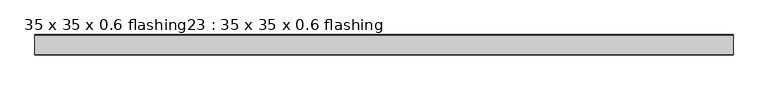
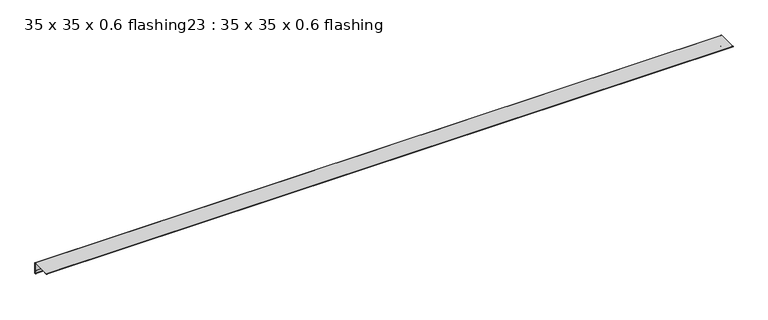
"""IFC4 building model written with IfcOpenShell, lengths in millimetres: proxy geometry, 35 x 35 x 0.6 flashing23 : 35 x 35 x 0.6 flashing."""

from ifc_helpers import new_model, si_unit, point, frame, frame_2d, origin, place, context, project, spatial, polyline, circle_curve, trimmed, segment, composite_curve, outline, extrude, source, transform, mapped, element, save


def proxy_35_x_35_x_0_6_flashing23_35_x_35_x_0_6_flashing_c5ac5a1b(model_context):
    return source(origin(), model_context, "Body", "SweptSolid", [
        extrude(outline(composite_curve([segment(trimmed(circle_curve(frame_2d((-10303.3538523, 1488.3887139)), 1.0), [point((-10302.3538523, 1488.3887139))], [point((-10304.3538523, 1488.3887139))], False, "CARTESIAN"), True, "CONTINUOUS"), segment(polyline([(-10304.3538523, 1488.3887139), (-10304.3538523, 1497.390498), (-10303.3538523, 1497.390498), (-10303.3538523, 1525.8887139)]), True, "CONTINUOUS"), segment(trimmed(circle_curve(frame_2d((-10304.8538523, 1525.8887139)), 1.5), [point((-10303.3538523, 1525.8887139))], [point((-10304.8538523, 1527.3887139))], True, "CARTESIAN"), True, "CONTINUOUS"), segment(polyline([(-10304.8538523, 1527.3887139), (-10362.3538523, 1527.3887139), (-10362.3538523, 1526.3887139), (-10371.3865297, 1526.3887139)]), True, "CONTINUOUS"), segment(trimmed(circle_curve(frame_2d((-10371.3865297, 1527.3887139)), 1.0), [point((-10371.3865297, 1526.3887139))], [point((-10371.3865297, 1528.3887139))], False, "CARTESIAN"), True, "CONTINUOUS"), segment(polyline([(-10371.3865297, 1528.3887139), (-10304.8538523, 1528.3887139)]), True, "CONTINUOUS"), segment(trimmed(circle_curve(frame_2d((-10304.8538523, 1525.8887139)), 2.5), [point((-10304.8538523, 1528.3887139))], [point((-10302.3538523, 1525.8887139))], False, "CARTESIAN"), True, "CONTINUOUS"), segment(polyline([(-10302.3538523, 1525.8887139), (-10302.3538523, 1488.3887139)]), True, "CONTINUOUS")], self_intersect=False)), frame((-5219.6640929, 0.0, 0.0), z_axis=(1.0, 0.0, 0.0), x_axis=(0.0, 1.0, 0.0)), (0.0, 0.0, 1.0), 2410.6438934),
    ])


if __name__ == "__main__":
    model = new_model("IFC4")
    model_context = context("Model", 3, world=origin())
    ifc_project = project(units=[si_unit("LENGTHUNIT", "METRE", prefix="MILLI")], contexts=[model_context])
    site = spatial("IfcSite", under=ifc_project)
    building = spatial("IfcBuilding", under=site)
    placement = place(None, origin())
    proxy_35_x_35_x_0_6_flashing23_35_x_35_x_0_6_flashing_shape = proxy_35_x_35_x_0_6_flashing23_35_x_35_x_0_6_flashing_c5ac5a1b(model_context)
    element("IfcBuildingElementProxy", 1, Name="35 x 35 x 0.6 flashing23 : 35 x 35 x 0.6 flashing", ObjectType="35 x 35 x 0.6 flashing23 : 35 x 35 x 0.6 flashing", at=placement, inside=building, context=model_context, shape_type="MappedRepresentation", body=[
        mapped(proxy_35_x_35_x_0_6_flashing23_35_x_35_x_0_6_flashing_shape, transform((0.0, 0.0, 0.0), x_axis=(1.0, 0.0, 0.0), y_axis=(0.0, 1.0, 0.0), z_axis=(0.0, 0.0, 1.0))),
    ])
    save(model, "model.ifc")
